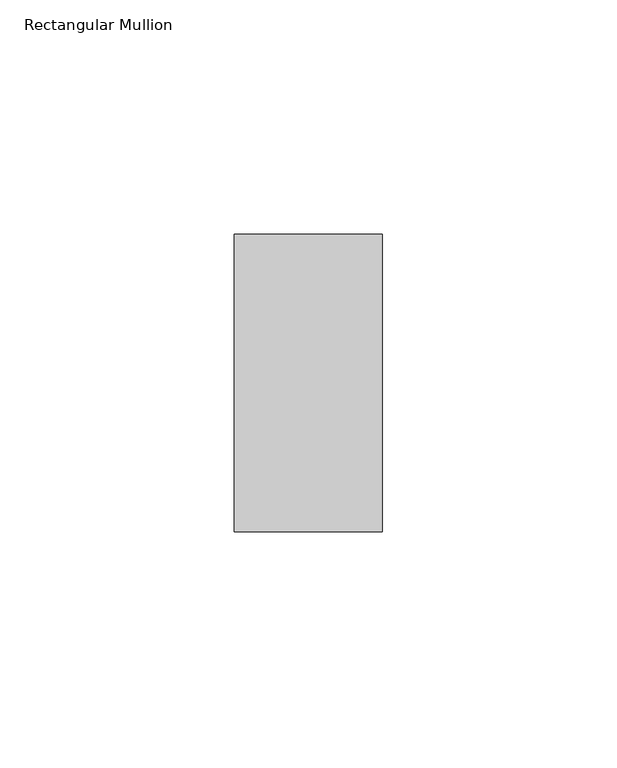
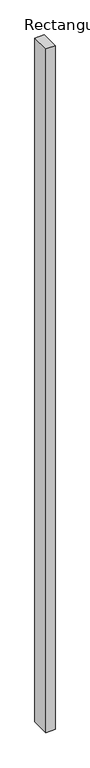
"""IFC4 building model written with IfcOpenShell, lengths in millimetres: member geometry, Rectangular Mullion."""

from ifc_helpers import new_model, si_unit, frame, origin, place, context, project, spatial, polyline, outline, extrude, source, transform, mapped, element, save


def rectangular_mullion_37a5deef(model_context):
    return source(origin(), model_context, "Body", "SweptSolid", [
        extrude(outline(polyline([(-31.623, -31.7489583), (-31.623, 31.7489583), (0.0, 31.7489583), (0.0, -31.7489583), (-31.623, -31.7489583)])), frame((0.0, 0.0, -2451.1), z_axis=(0.0, 0.0, 1.0), x_axis=(1.0, 0.0, 0.0)), (0.0, 0.0, 1.0), 2451.1),
    ])


if __name__ == "__main__":
    model = new_model("IFC4")
    model_context = context("Model", 3, world=origin())
    ifc_project = project(units=[si_unit("LENGTHUNIT", "METRE", prefix="MILLI")], contexts=[model_context])
    site = spatial("IfcSite", under=ifc_project)
    building = spatial("IfcBuilding", under=site)
    placement = place(None, origin())
    rectangular_mullion_shape = rectangular_mullion_37a5deef(model_context)
    element("IfcMember", 1, ObjectType="Rectangular Mullion", at=placement, inside=building, context=model_context, shape_type="MappedRepresentation", body=[
        mapped(rectangular_mullion_shape, transform((0.0, 0.0, 0.0), x_axis=(1.0, 0.0, 0.0), y_axis=(0.0, 1.0, 0.0), z_axis=(0.0, 0.0, 1.0))),
    ])
    save(model, "model.ifc")
